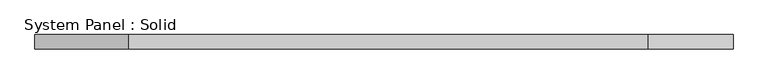
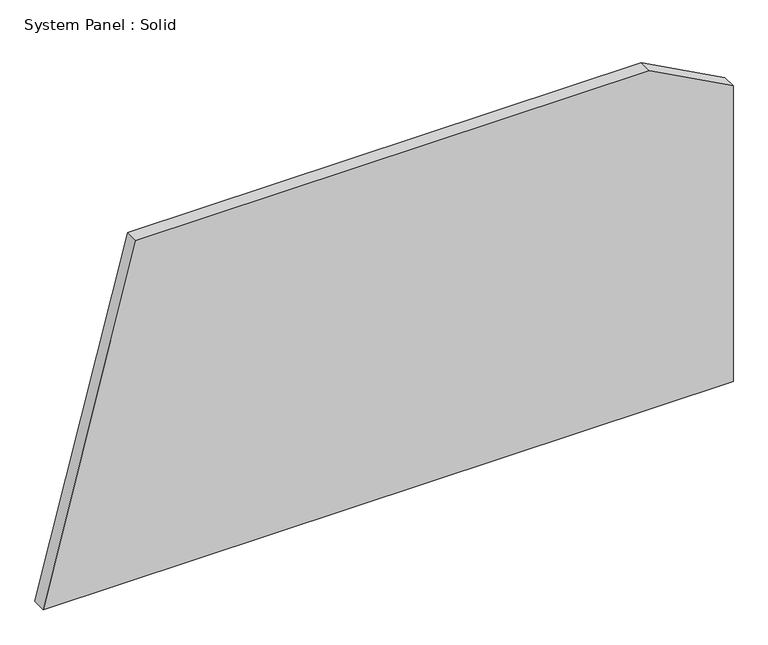
"""IFC4 building model written with IfcOpenShell, lengths in millimetres: plate geometry, System Panel : Solid."""

from ifc_helpers import new_model, si_unit, frame, origin, place, context, project, spatial, polyline, outline, extrude, source, transform, mapped, element, save


def system_panel_solid_7a006534(model_context):
    return source(origin(), model_context, "Body", "SweptSolid", [
        extrude(outline(polyline([(0.0, -1445.7338604), (0.0, 1445.7338604), (1310.5278326, 1445.7338604), (1500.0, 1095.2647774), (1500.0, -1057.1673254), (0.0, -1445.7338604)])), frame((0.0, -10.5, 0.0), z_axis=(0.0, 1.0, 0.0), x_axis=(0.0, 0.0, 1.0)), (0.0, 0.0, 1.0), 60.0),
    ])


if __name__ == "__main__":
    model = new_model("IFC4")
    model_context = context("Model", 3, world=origin())
    ifc_project = project(units=[si_unit("LENGTHUNIT", "METRE", prefix="MILLI")], contexts=[model_context])
    site = spatial("IfcSite", under=ifc_project)
    building = spatial("IfcBuilding", under=site)
    placement = place(None, origin())
    system_panel_solid_shape = system_panel_solid_7a006534(model_context)
    element("IfcPlate", 1, ObjectType="System Panel : Solid", at=placement, inside=building, context=model_context, shape_type="MappedRepresentation", body=[
        mapped(system_panel_solid_shape, transform((0.0, 0.0, 0.0), x_axis=(1.0, 0.0, 0.0), y_axis=(0.0, 1.0, 0.0), z_axis=(0.0, 0.0, 1.0))),
    ])
    save(model, "model.ifc")
